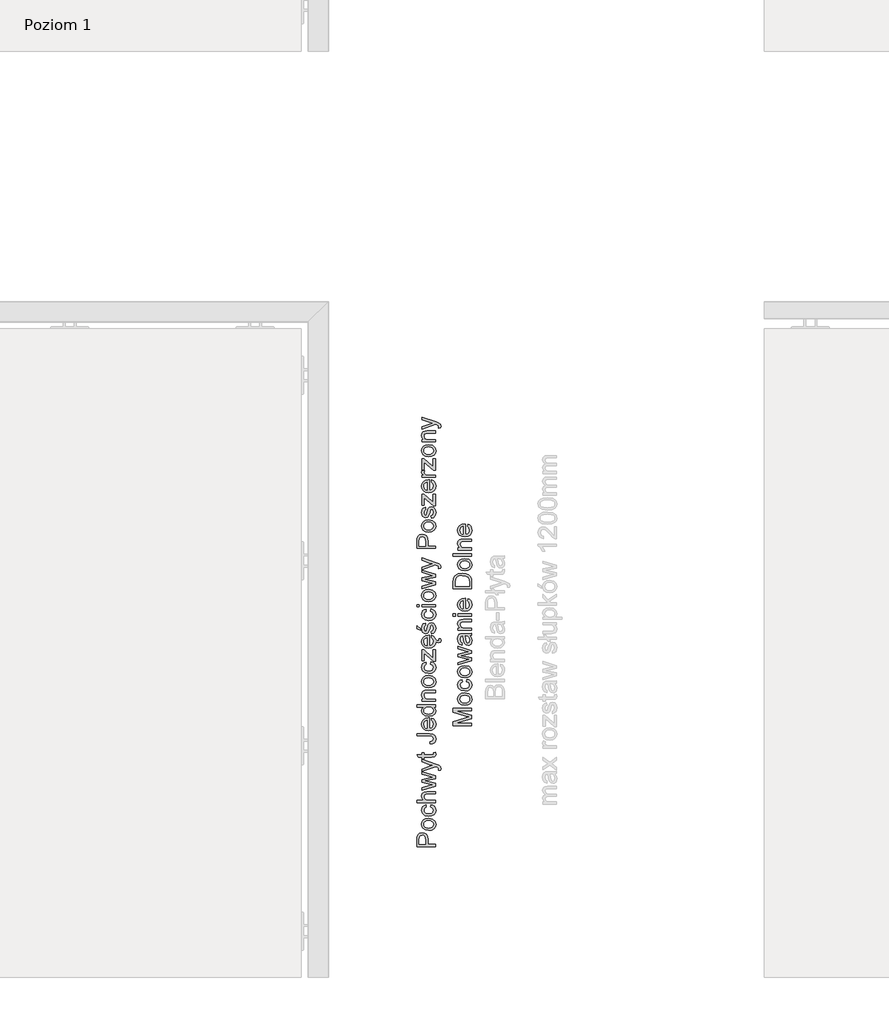
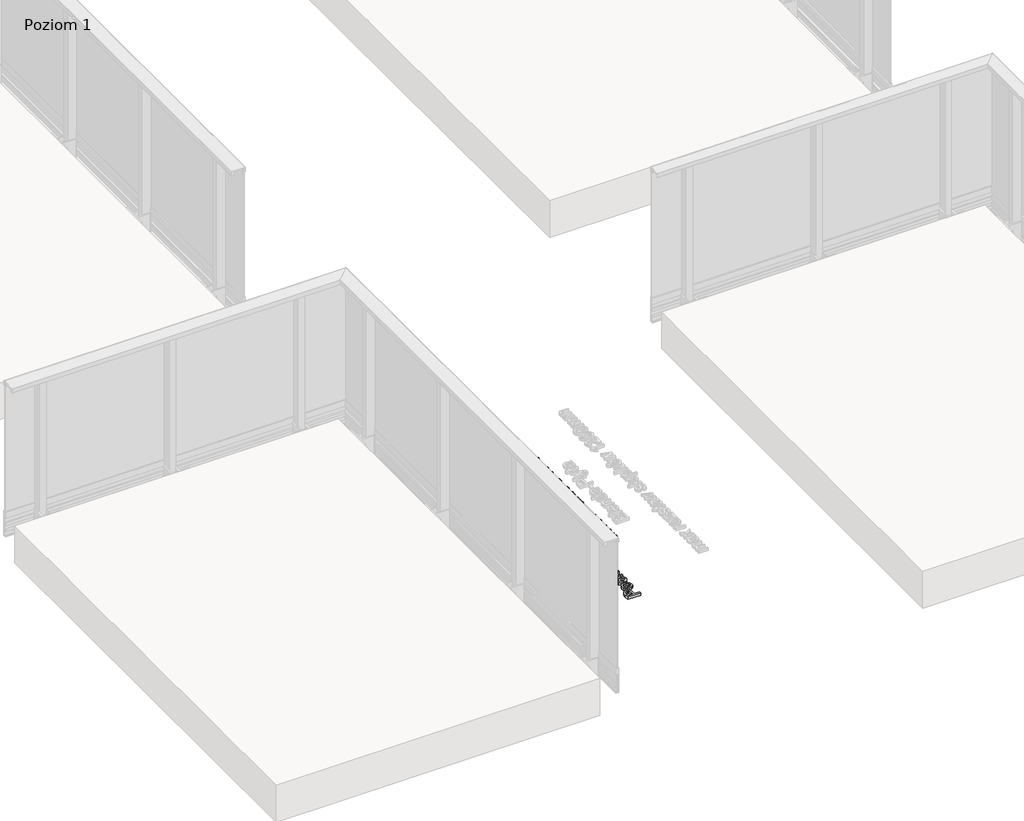
# One storey, part 14 of 35: 2 proxies.
"""IFC4 building model written with IfcOpenShell, lengths in millimetres."""

from ifc_helpers import new_model, si_unit, origin, origin_with_axes, place, context, project, spatial, polyline, outline, extrude, element, save

model = new_model("IFC4")

# Units and contexts
model_context = context("Model", 3, world=origin())
ifc_project = project(units=[si_unit("LENGTHUNIT", "METRE", prefix="MILLI")], contexts=[model_context])

# Site, building, storey
site = spatial("IfcSite", under=ifc_project)
building = spatial("IfcBuilding", under=site)
storey = spatial("IfcBuildingStorey", under=building, Name="Poziom 1", Elevation=0.0)

# Proxies
placement = place(None, origin())
element("IfcBuildingElementProxy", 1, Name="Generic Models", at=placement, inside=storey, context=model_context, shape_type="SweptSolid", body=[
    extrude(outline(polyline([(5115.5993765, -8924.2653868), (5015.1430664, -8924.2653868), (5015.1430664, -8887.0357289), (5016.0995596, -8872.0261435), (5020.7961864, -8859.8247239), (5030.508271, -8851.9152611), (5044.205744, -8848.9231542), (5056.0454129, -8850.9434394), (5065.9107817, -8857.0042953), (5072.5694458, -8868.3381265), (5074.7890005, -8886.1773375), (5074.7890005, -8911.708348), (5115.5993765, -8911.708348), (5115.5993765, -8924.2653868)]), holes=[polyline([(5062.2319618, -8911.708348), (5062.2319618, -8885.4415735), (5057.6211741, -8866.9493719), (5052.0722873, -8862.8474877), (5044.6472024, -8861.4801929), (5034.2484047, -8864.7052918), (5028.5584965, -8873.1788404), (5027.7001052, -8885.7358791), (5027.7001052, -8911.708348), (5062.2319618, -8911.708348)])]), origin_with_axes(), (0.0, 0.0, 1.0), 20.0),
    extrude(outline(polyline([(5078.7130752, -8836.3661154), (5060.9259807, -8833.64992), (5048.4241242, -8825.5013338), (5042.298889, -8815.4336299), (5040.2571439, -8803.3793632), (5042.7434131, -8790.1877279), (5050.2022205, -8779.6509745), (5062.0449551, -8772.74399), (5077.6830056, -8770.4416619), (5100.0257054, -8774.5128893), (5112.6685833, -8786.3709522), (5117.1690064, -8803.3793632), (5114.6919343, -8816.7304139), (5107.260718, -8827.2549046), (5095.1696631, -8834.0883127), (5078.7130752, -8836.3661154)]), holes=[polyline([(5078.6885497, -8823.8090766), (5090.0530377, -8822.3559427), (5098.1495072, -8817.9965411), (5102.9963525, -8811.4359789), (5104.6119676, -8803.3793632), (5102.9871555, -8795.3595357), (5098.112719, -8788.8112361), (5089.9089505, -8784.4518345), (5078.2961422, -8782.9987006), (5067.2627481, -8784.4610316), (5059.2766431, -8788.8480243), (5054.4297978, -8795.4055209), (5052.8141827, -8803.3793632), (5054.4236664, -8811.4359789), (5059.2521176, -8817.9965411), (5067.3301931, -8822.3559427), (5078.6885497, -8823.8090766)])]), origin_with_axes(), (0.0, 0.0, 1.0), 20.0),
    extrude(outline(polyline([(5088.9156692, -8709.2260979), (5090.485299, -8696.6690591), (5101.6535832, -8700.1700694), (5110.0934093, -8706.7490258), (5115.4001071, -8715.7866601), (5117.1690064, -8726.6637044), (5114.7011313, -8740.0208865), (5107.2975062, -8750.4656695), (5095.2830934, -8757.2071071), (5078.9828553, -8759.4542529), (5058.1239462, -8755.6160174), (5044.7207788, -8743.91737), (5040.2571439, -8726.8353827), (5041.7899856, -8716.2250528), (5046.3885105, -8707.7423071), (5053.8074641, -8701.6569258), (5063.8015916, -8698.2386889), (5065.3712215, -8710.7957277), (5055.9657051, -8716.620526), (5052.8141827, -8726.7372808), (5054.3654184, -8734.8521445), (5059.0191257, -8741.2931451), (5067.0266904, -8745.4961969), (5078.6394988, -8746.8972142), (5090.4086569, -8745.5268537), (5098.4438128, -8741.4157724), (5103.0699289, -8735.0912678), (5104.6119676, -8727.0806374), (5100.7614694, -8715.2470998), (5088.9156692, -8709.2260979)])), origin_with_axes(), (0.0, 0.0, 1.0), 20.0),
    extrude(outline(polyline([(5115.5993765, -8685.6816502), (5015.1430664, -8685.6816502), (5015.1430664, -8673.1246114), (5052.0784187, -8673.1246114), (5043.2124626, -8663.332819), (5040.2571439, -8651.2724209), (5043.4822427, -8637.1702777), (5052.3972498, -8628.61089), (5068.9028886, -8626.035716), (5115.5993765, -8626.035716), (5115.5993765, -8638.5927548), (5070.2027383, -8638.5927548), (5056.9589865, -8642.5904058), (5052.8141827, -8653.9211712), (5055.6100859, -8664.2096044), (5063.188455, -8671.076735), (5076.4076813, -8673.1246114), (5115.5993765, -8673.1246114), (5115.5993765, -8685.6816502)])), origin_with_axes(), (0.0, 0.0, 1.0), 20.0),
    extrude(outline(polyline([(5115.5993765, -8596.53158), (5041.8267738, -8618.9723817), (5041.8267738, -8605.9248336), (5084.8689672, -8593.1961166), (5100.2464346, -8589.3946693), (5085.4330529, -8586.2799351), (5041.8267738, -8576.1509175), (5041.8267738, -8561.190383), (5085.3104256, -8551.1104163), (5098.7258557, -8548.3390386), (5084.5746616, -8544.3659131), (5041.8267738, -8531.6126706), (5041.8267738, -8518.5160716), (5115.5993765, -8541.1285515), (5115.5993765, -8556.3098152), (5072.3364539, -8565.9483235), (5058.8474474, -8568.7442266), (5115.5993765, -8581.1786381), (5115.5993765, -8596.53158)])), origin_with_axes(), (0.0, 0.0, 1.0), 20.0),
    extrude(outline(polyline([(5143.8527138, -8509.8831074), (5131.7616589, -8511.4527372), (5132.8653048, -8505.076116), (5131.479616, -8499.1164277), (5127.616855, -8495.4621332), (5118.3707542, -8492.0285679), (5115.3295964, -8491.0475493), (5041.8267738, -8517.7312566), (5041.8267738, -8504.4875048), (5082.7843026, -8490.3363107), (5099.1673141, -8485.406692), (5084.6972889, -8480.4770733), (5041.8267738, -8465.9334717), (5041.8267738, -8452.7878218), (5117.3652101, -8478.465985), (5133.7482216, -8485.1369119), (5142.601915, -8492.4209754), (5145.4223436, -8502.2066364), (5143.8527138, -8509.8831074)])), origin_with_axes(), (0.0, 0.0, 1.0), 20.0),
    extrude(outline(polyline([(5105.1270024, -8415.7053166), (5115.9672585, -8414.1356868), (5117.1690064, -8423.5289404), (5115.0843417, -8434.0503655), (5109.6151627, -8439.2988153), (5095.3658668, -8440.8193942), (5054.3838125, -8440.8193942), (5054.3838125, -8450.2371733), (5041.8267738, -8450.2371733), (5041.8267738, -8440.8193942), (5023.8986579, -8440.8193942), (5016.5164925, -8428.2623554), (5041.8267738, -8428.2623554), (5041.8267738, -8415.7053166), (5054.3838125, -8415.7053166), (5054.3838125, -8428.2623554), (5094.9979848, -8428.2623554), (5101.4727079, -8427.6001678), (5103.765839, -8425.4541895), (5104.6119676, -8421.1744956), (5105.1270024, -8415.7053166)])), origin_with_axes(), (0.0, 0.0, 1.0), 20.0),
    extrude(outline(polyline([(5087.3950902, -8368.6164213), (5085.7764095, -8356.0593825), (5100.6143166, -8351.7674259), (5104.6119676, -8341.1724244), (5102.343362, -8332.5762485), (5096.1629445, -8327.5975788), (5083.7162703, -8326.2364154), (5015.1430664, -8326.2364154), (5015.1430664, -8313.6793766), (5083.4955411, -8313.6793766), (5103.0055496, -8316.7082717), (5113.5392374, -8326.3222545), (5117.1690064, -8341.7610356), (5115.2958739, -8353.3677126), (5109.6764764, -8361.8964435), (5100.3598649, -8367.0713169), (5087.3950902, -8368.6164213)])), origin_with_axes(), (0.0, 0.0, 1.0), 20.0),
    extrude(outline(polyline([(5093.6245587, -8241.6235565), (5095.1941885, -8229.3117724), (5104.4709462, -8233.7478161), (5111.4055218, -8240.8264789), (5115.7281352, -8250.3883451), (5117.1690064, -8262.2739992), (5114.6827372, -8277.0076731), (5107.2239298, -8288.3445699), (5095.276962, -8295.5734511), (5079.3262118, -8297.9830782), (5062.8389671, -8295.5489256), (5050.5087889, -8288.246468), (5042.8200552, -8277.0628554), (5040.2571439, -8262.9852377), (5042.8139238, -8249.3460127), (5050.4842634, -8238.4475086), (5062.7899161, -8231.3014009), (5079.2526354, -8228.919365), (5082.6371498, -8228.9929414), (5082.6371498, -8285.4260394), (5092.0365347, -8283.25247), (5098.9465849, -8278.2032896), (5103.1956219, -8270.9161604), (5104.6119676, -8262.0287445), (5101.9877427, -8249.7169604), (5093.6245587, -8241.6235565)]), holes=[polyline([(5070.080111, -8285.4260394), (5070.080111, -8241.4764037), (5058.7002946, -8246.5041243), (5054.2857107, -8253.824976), (5052.8141827, -8263.0342886), (5057.5108095, -8278.4975952), (5063.0014483, -8283.3628346), (5070.080111, -8285.4260394)])]), origin_with_axes(), (0.0, 0.0, 1.0), 20.0),
    extrude(outline(polyline([(5115.5993765, -8170.8430606), (5103.7535763, -8170.8430606), (5113.8151489, -8179.1510624), (5117.1690064, -8190.635112), (5112.312964, -8206.1842577), (5098.7626439, -8217.1716666), (5078.7866516, -8221.0712157), (5058.7983965, -8217.4782349), (5045.0396099, -8206.7115552), (5040.2571439, -8190.6841629), (5043.6784465, -8179.1081428), (5052.568928, -8170.8430606), (5015.1430664, -8170.8430606), (5015.1430664, -8158.2860219), (5115.5993765, -8158.2860219), (5115.5993765, -8170.8430606)]), holes=[polyline([(5078.7376006, -8208.514177), (5090.0959572, -8207.0978313), (5098.1740327, -8202.8487942), (5103.0024839, -8196.6745081), (5104.6119676, -8189.4824151), (5103.0760603, -8182.2933877), (5098.4683383, -8176.2754514), (5090.7029625, -8172.2011583), (5079.6940938, -8170.8430606), (5067.6582212, -8172.2256838), (5059.3134313, -8176.3735533), (5054.4389948, -8182.5447738), (5052.8141827, -8189.9974499), (5054.3746155, -8197.2631193), (5059.0559139, -8203.2166762), (5067.0972012, -8207.1898018), (5078.7376006, -8208.514177)])]), origin_with_axes(), (0.0, 0.0, 1.0), 20.0),
    extrude(outline(polyline([(5115.5993765, -8139.4504637), (5041.8267738, -8139.4504637), (5041.8267738, -8126.893425), (5052.1274696, -8126.893425), (5043.2247253, -8117.2917049), (5040.2571439, -8104.1828431), (5042.6483769, -8092.3247801), (5048.9268963, -8084.2313763), (5058.1607344, -8080.4667172), (5070.3008402, -8079.8045296), (5115.5993765, -8079.8045296), (5115.5993765, -8092.3615683), (5071.9930974, -8092.3615683), (5060.8830611, -8093.8085709), (5055.0092119, -8098.9221306), (5052.8141827, -8107.542832), (5057.7438014, -8121.1667286), (5064.8868435, -8125.4617509), (5076.4567322, -8126.893425), (5115.5993765, -8126.893425), (5115.5993765, -8139.4504637)])), origin_with_axes(), (0.0, 0.0, 1.0), 20.0),
    extrude(outline(polyline([(5078.7130752, -8065.677861), (5060.9259807, -8062.9616656), (5048.4241242, -8054.8130794), (5042.298889, -8044.7453754), (5040.2571439, -8032.6911087), (5042.7434131, -8019.4994735), (5050.2022205, -8008.96272), (5062.0449551, -8002.0557356), (5077.6830056, -7999.7534074), (5100.0257054, -8003.8246348), (5112.6685833, -8015.6826978), (5117.1690064, -8032.6911087), (5114.6919343, -8046.0421595), (5107.260718, -8056.5666502), (5095.1696631, -8063.4000583), (5078.7130752, -8065.677861)]), holes=[polyline([(5078.6885497, -8053.1208222), (5090.0530377, -8051.6676883), (5098.1495072, -8047.3082867), (5102.9963525, -8040.7477244), (5104.6119676, -8032.6911087), (5102.9871555, -8024.6712812), (5098.112719, -8018.1229817), (5089.9089505, -8013.7635801), (5078.2961422, -8012.3104462), (5067.2627481, -8013.7727771), (5059.2766431, -8018.1597699), (5054.4297978, -8024.7172665), (5052.8141827, -8032.6911087), (5054.4236664, -8040.7477244), (5059.2521176, -8047.3082867), (5067.3301931, -8051.6676883), (5078.6885497, -8053.1208222)])]), origin_with_axes(), (0.0, 0.0, 1.0), 20.0),
    extrude(outline(polyline([(5088.9156692, -7938.5378434), (5090.485299, -7925.9808047), (5101.6535832, -7929.481815), (5110.0934093, -7936.0607713), (5115.4001071, -7945.0984057), (5117.1690064, -7955.97545), (5114.7011313, -7969.3326321), (5107.2975062, -7979.7774151), (5095.2830934, -7986.5188526), (5078.9828553, -7988.7659985), (5058.1239462, -7984.927763), (5044.7207788, -7973.2291156), (5040.2571439, -7956.1471283), (5041.7899856, -7945.5367984), (5046.3885105, -7937.0540527), (5053.8074641, -7930.9686714), (5063.8015916, -7927.5504345), (5065.3712215, -7940.1074733), (5055.9657051, -7945.9322715), (5052.8141827, -7956.0490264), (5054.3654184, -7964.1638901), (5059.0191257, -7970.6048907), (5067.0266904, -7974.8079425), (5078.6394988, -7976.2089597), (5090.4086569, -7974.8385993), (5098.4438128, -7970.727518), (5103.0699289, -7964.4030134), (5104.6119676, -7956.3923829), (5100.7614694, -7944.5588454), (5088.9156692, -7938.5378434)])), origin_with_axes(), (0.0, 0.0, 1.0), 20.0),
    extrude(outline(polyline([(5115.5993765, -7922.841545), (5103.7781018, -7922.841545), (5054.3838125, -7879.5050459), (5054.3838125, -7892.3318648), (5054.3838125, -7919.7022853), (5041.8267738, -7919.7022853), (5041.8267738, -7861.625981), (5052.4953516, -7861.625981), (5096.32236, -7900.0573867), (5103.0423378, -7905.9434987), (5103.0423378, -7891.4244226), (5103.0423378, -7860.0563511), (5115.5993765, -7860.0563511), (5115.5993765, -7922.841545)])), origin_with_axes(), (0.0, 0.0, 1.0), 20.0),
    extrude(outline(polyline([(5093.6245587, -7795.8486802), (5095.1941885, -7783.5368961), (5104.4709462, -7787.9729399), (5111.4055218, -7795.0516026), (5115.768218, -7804.9441093), (5121.6694295, -7810.8214774), (5128.9902812, -7812.9674557), (5133.9689508, -7811.4346141), (5136.0045645, -7806.4682072), (5135.5631061, -7803.3289475), (5134.3858838, -7800.410417), (5143.0433734, -7800.410417), (5145.4223436, -7809.2150594), (5144.4167995, -7814.9908067), (5141.6454218, -7819.1110851), (5137.5864571, -7821.5758944), (5132.6691011, -7822.3852348), (5123.7540941, -7819.9326882), (5116.8755159, -7814.078139), (5117.1690064, -7816.4991229), (5114.6827372, -7831.2327968), (5107.2239298, -7842.5696936), (5095.276962, -7849.7985748), (5079.3262118, -7852.2082019), (5062.8389671, -7849.7740494), (5050.5087889, -7842.4715918), (5042.8200552, -7831.2879791), (5040.2571439, -7817.2103614), (5042.8139238, -7803.5711364), (5050.4842634, -7792.6726323), (5062.7899161, -7785.5265246), (5079.2526354, -7783.1444887), (5082.6371498, -7783.2180651), (5082.6371498, -7839.6511631), (5092.0365347, -7837.4775937), (5098.9465849, -7832.4284133), (5103.1956219, -7825.1412841), (5104.6119676, -7816.2538682), (5101.9877427, -7803.9420841), (5093.6245587, -7795.8486802)]), holes=[polyline([(5070.080111, -7839.6511631), (5070.080111, -7795.7015274), (5058.7002946, -7800.729248), (5054.2857107, -7808.0500997), (5052.8141827, -7817.2594124), (5057.5108095, -7832.7227189), (5063.0014483, -7837.5879583), (5070.080111, -7839.6511631)])]), origin_with_axes(), (0.0, 0.0, 1.0), 20.0),
    extrude(outline(polyline([(5093.6245587, -7775.2963394), (5092.0549288, -7762.7393007), (5101.3746061, -7756.9267651), (5104.6119676, -7743.6094369), (5101.6443862, -7730.8071435), (5094.6791537, -7726.6378142), (5089.0382965, -7730.831669), (5085.4575784, -7743.7565897), (5079.3139491, -7762.6657243), (5072.1402502, -7770.9185437), (5062.0112326, -7773.7267096), (5052.6547672, -7771.4703667), (5045.5055937, -7765.3144746), (5041.7899856, -7757.3314353), (5040.2571439, -7746.5279674), (5042.7219533, -7731.2486019), (5049.3928801, -7721.5365172), (5060.6623319, -7717.2200351), (5062.2319618, -7729.7770739), (5055.3035175, -7734.4982262), (5052.8141827, -7745.5469488), (5055.1931529, -7757.5644273), (5060.7359083, -7761.1696708), (5064.3902028, -7759.6736174), (5067.1615805, -7754.9892533), (5069.8348563, -7744.1735226), (5075.7454937, -7725.7426347), (5082.440946, -7717.1832469), (5093.3547786, -7714.0807754), (5105.3722571, -7717.7228072), (5114.0910604, -7728.2319695), (5117.1690064, -7743.7811152), (5115.6852157, -7756.4423872), (5111.2338435, -7765.6823566), (5103.8639409, -7771.8505114), (5093.6245587, -7775.2963394)])), origin_with_axes(), (0.0, 0.0, 1.0), 20.0),
    extrude(outline(polyline([(5033.9786245, -7756.4607813), (5015.1430664, -7747.0430022), (5015.1430664, -7731.3467037), (5033.9786245, -7747.0430022), (5033.9786245, -7756.4607813)])), origin_with_axes(), (0.0, 0.0, 1.0), 20.0),
    extrude(outline(polyline([(5088.9156692, -7652.8652114), (5090.485299, -7640.3081727), (5101.6535832, -7643.809183), (5110.0934093, -7650.3881393), (5115.4001071, -7659.4257737), (5117.1690064, -7670.302818), (5114.7011313, -7683.6600001), (5107.2975062, -7694.1047831), (5095.2830934, -7700.8462207), (5078.9828553, -7703.0933665), (5058.1239462, -7699.255131), (5044.7207788, -7687.5564836), (5040.2571439, -7670.4744963), (5041.7899856, -7659.8641664), (5046.3885105, -7651.3814207), (5053.8074641, -7645.2960394), (5063.8015916, -7641.8778025), (5065.3712215, -7654.4348413), (5055.9657051, -7660.2596395), (5052.8141827, -7670.3763944), (5054.3654184, -7678.4912581), (5059.0191257, -7684.9322587), (5067.0266904, -7689.1353105), (5078.6394988, -7690.5363277), (5090.4086569, -7689.1659673), (5098.4438128, -7685.054886), (5103.0699289, -7678.7303814), (5104.6119676, -7670.7197509), (5100.7614694, -7658.8862134), (5088.9156692, -7652.8652114)])), origin_with_axes(), (0.0, 0.0, 1.0), 20.0),
    extrude(outline(polyline([(5027.7001052, -7629.3207637), (5015.1430664, -7629.3207637), (5015.1430664, -7616.763725), (5027.7001052, -7616.763725), (5027.7001052, -7629.3207637)])), origin_with_axes(), (0.0, 0.0, 1.0), 20.0),
    extrude(outline(polyline([(5115.5993765, -7629.3207637), (5041.8267738, -7629.3207637), (5041.8267738, -7616.763725), (5115.5993765, -7616.763725), (5115.5993765, -7629.3207637)])), origin_with_axes(), (0.0, 0.0, 1.0), 20.0),
    extrude(outline(polyline([(5078.7130752, -7601.0674265), (5060.9259807, -7598.3512311), (5048.4241242, -7590.2026449), (5042.298889, -7580.134941), (5040.2571439, -7568.0806743), (5042.7434131, -7554.8890391), (5050.2022205, -7544.3522856), (5062.0449551, -7537.4453011), (5077.6830056, -7535.142973), (5100.0257054, -7539.2142004), (5112.6685833, -7551.0722634), (5117.1690064, -7568.0806743), (5114.6919343, -7581.431725), (5107.260718, -7591.9562158), (5095.1696631, -7598.7896238), (5078.7130752, -7601.0674265)]), holes=[polyline([(5078.6885497, -7588.5103878), (5090.0530377, -7587.0572539), (5098.1495072, -7582.6978522), (5102.9963525, -7576.13729), (5104.6119676, -7568.0806743), (5102.9871555, -7560.0608468), (5098.112719, -7553.5125473), (5089.9089505, -7549.1531456), (5078.2961422, -7547.7000118), (5067.2627481, -7549.1623427), (5059.2766431, -7553.5493355), (5054.4297978, -7560.106832), (5052.8141827, -7568.0806743), (5054.4236664, -7576.13729), (5059.2521176, -7582.6978522), (5067.3301931, -7587.0572539), (5078.6885497, -7588.5103878)])]), origin_with_axes(), (0.0, 0.0, 1.0), 20.0),
    extrude(outline(polyline([(5115.5993765, -7508.7780967), (5041.8267738, -7531.2188984), (5041.8267738, -7518.1713503), (5084.8689672, -7505.4426332), (5100.2464346, -7501.641186), (5085.4330529, -7498.5264517), (5041.8267738, -7488.3974341), (5041.8267738, -7473.4368997), (5085.3104256, -7463.356933), (5098.7258557, -7460.5855553), (5084.5746616, -7456.6124297), (5041.8267738, -7443.8591872), (5041.8267738, -7430.7625882), (5115.5993765, -7453.3750682), (5115.5993765, -7468.5563319), (5072.3364539, -7478.1948401), (5058.8474474, -7480.9907433), (5115.5993765, -7493.4251547), (5115.5993765, -7508.7780967)])), origin_with_axes(), (0.0, 0.0, 1.0), 20.0),
    extrude(outline(polyline([(5143.8527138, -7422.1296241), (5131.7616589, -7423.6992539), (5132.8653048, -7417.3226327), (5131.479616, -7411.3629443), (5127.616855, -7407.7086499), (5118.3707542, -7404.2750846), (5115.3295964, -7403.2940659), (5041.8267738, -7429.9777733), (5041.8267738, -7416.7340215), (5082.7843026, -7402.5828274), (5099.1673141, -7397.6532087), (5084.6972889, -7392.7235899), (5041.8267738, -7378.1799884), (5041.8267738, -7365.0343384), (5117.3652101, -7390.7125017), (5133.7482216, -7397.3834285), (5142.601915, -7404.667492), (5145.4223436, -7414.4531531), (5143.8527138, -7422.1296241)])), origin_with_axes(), (0.0, 0.0, 1.0), 20.0),
    extrude(outline(polyline([(5115.5993765, -7313.8251647), (5015.1430664, -7313.8251647), (5015.1430664, -7276.5955068), (5016.0995596, -7261.5859214), (5020.7961864, -7249.3845019), (5030.508271, -7241.475039), (5044.205744, -7238.4829321), (5056.0454129, -7240.5032174), (5065.9107817, -7246.5640732), (5072.5694458, -7257.8979044), (5074.7890005, -7275.7371155), (5074.7890005, -7301.2681259), (5115.5993765, -7301.2681259), (5115.5993765, -7313.8251647)]), holes=[polyline([(5062.2319618, -7301.2681259), (5062.2319618, -7275.0013515), (5057.6211741, -7256.5091498), (5052.0722873, -7252.4072656), (5044.6472024, -7251.0399708), (5034.2484047, -7254.2650697), (5028.5584965, -7262.7386183), (5027.7001052, -7275.2956571), (5027.7001052, -7301.2681259), (5062.2319618, -7301.2681259)])]), origin_with_axes(), (0.0, 0.0, 1.0), 20.0),
    extrude(outline(polyline([(5078.7130752, -7225.9258933), (5060.9259807, -7223.2096979), (5048.4241242, -7215.0611117), (5042.298889, -7204.9934078), (5040.2571439, -7192.9391411), (5042.7434131, -7179.7475059), (5050.2022205, -7169.2107524), (5062.0449551, -7162.3037679), (5077.6830056, -7160.0014398), (5100.0257054, -7164.0726672), (5112.6685833, -7175.9307302), (5117.1690064, -7192.9391411), (5114.6919343, -7206.2901918), (5107.260718, -7216.8146826), (5095.1696631, -7223.6480906), (5078.7130752, -7225.9258933)]), holes=[polyline([(5078.6885497, -7213.3688545), (5090.0530377, -7211.9157207), (5098.1495072, -7207.556319), (5102.9963525, -7200.9957568), (5104.6119676, -7192.9391411), (5102.9871555, -7184.9193136), (5098.112719, -7178.3710141), (5089.9089505, -7174.0116124), (5078.2961422, -7172.5584785), (5067.2627481, -7174.0208095), (5059.2766431, -7178.4078023), (5054.4297978, -7184.9652988), (5052.8141827, -7192.9391411), (5054.4236664, -7200.9957568), (5059.2521176, -7207.556319), (5067.3301931, -7211.9157207), (5078.6885497, -7213.3688545)])]), origin_with_axes(), (0.0, 0.0, 1.0), 20.0),
    extrude(outline(polyline([(5093.6245587, -7150.5836607), (5092.0549288, -7138.0266219), (5101.3746061, -7132.2140864), (5104.6119676, -7118.8967582), (5101.6443862, -7106.0944647), (5094.6791537, -7101.9251355), (5089.0382965, -7106.1189902), (5085.4575784, -7119.043911), (5079.3139491, -7137.9530455), (5072.1402502, -7146.2058649), (5062.0112326, -7149.0140308), (5052.6547672, -7146.7576879), (5045.5055937, -7140.6017959), (5041.7899856, -7132.6187566), (5040.2571439, -7121.8152887), (5042.7219533, -7106.5359231), (5049.3928801, -7096.8238385), (5060.6623319, -7092.5073564), (5062.2319618, -7105.0643952), (5055.3035175, -7109.7855474), (5052.8141827, -7120.83427), (5055.1931529, -7132.8517485), (5060.7359083, -7136.4569921), (5064.3902028, -7134.9609386), (5067.1615805, -7130.2765746), (5069.8348563, -7119.4608439), (5075.7454937, -7101.0299559), (5082.440946, -7092.4705682), (5093.3547786, -7089.3680967), (5105.3722571, -7093.0101284), (5114.0910604, -7103.5192908), (5117.1690064, -7119.0684364), (5115.6852157, -7131.7297084), (5111.2338435, -7140.9696779), (5103.8639409, -7147.1378327), (5093.6245587, -7150.5836607)])), origin_with_axes(), (0.0, 0.0, 1.0), 20.0),
    extrude(outline(polyline([(5115.5993765, -7083.0895773), (5103.7781018, -7083.0895773), (5054.3838125, -7039.7530783), (5054.3838125, -7052.5798972), (5054.3838125, -7079.9503176), (5041.8267738, -7079.9503176), (5041.8267738, -7021.8740133), (5052.4953516, -7021.8740133), (5096.32236, -7060.3054191), (5103.0423378, -7066.191531), (5103.0423378, -7051.6724549), (5103.0423378, -7020.3043835), (5115.5993765, -7020.3043835), (5115.5993765, -7083.0895773)])), origin_with_axes(), (0.0, 0.0, 1.0), 20.0),
    extrude(outline(polyline([(5093.6245587, -6956.0967126), (5095.1941885, -6943.7849285), (5104.4709462, -6948.2209722), (5111.4055218, -6955.2996349), (5115.7281352, -6964.8615011), (5117.1690064, -6976.7471552), (5114.6827372, -6991.4808291), (5107.2239298, -7002.817726), (5095.276962, -7010.0466072), (5079.3262118, -7012.4562342), (5062.8389671, -7010.0220817), (5050.5087889, -7002.7196241), (5042.8200552, -6991.5360114), (5040.2571439, -6977.4583938), (5042.8139238, -6963.8191688), (5050.4842634, -6952.9206647), (5062.7899161, -6945.7745569), (5079.2526354, -6943.392521), (5082.6371498, -6943.4660974), (5082.6371498, -6999.8991955), (5092.0365347, -6997.725626), (5098.9465849, -6992.6764456), (5103.1956219, -6985.3893164), (5104.6119676, -6976.5019006), (5101.9877427, -6964.1901165), (5093.6245587, -6956.0967126)]), holes=[polyline([(5070.080111, -6999.8991955), (5070.080111, -6955.9495598), (5058.7002946, -6960.9772804), (5054.2857107, -6968.2981321), (5052.8141827, -6977.5074447), (5057.5108095, -6992.9707512), (5063.0014483, -6997.8359906), (5070.080111, -6999.8991955)])]), origin_with_axes(), (0.0, 0.0, 1.0), 20.0),
    extrude(outline(polyline([(5115.5993765, -6891.5947361), (5103.7781018, -6891.5947361), (5054.3838125, -6848.2582371), (5054.3838125, -6861.085056), (5054.3838125, -6888.4554764), (5041.8267738, -6888.4554764), (5041.8267738, -6830.3791721), (5052.4953516, -6830.3791721), (5096.32236, -6868.8105779), (5103.0423378, -6874.6966898), (5103.0423378, -6860.1776137), (5103.0423378, -6828.8095422), (5115.5993765, -6828.8095422), (5115.5993765, -6891.5947361)])), origin_with_axes(), (0.0, 0.0, 1.0), 20.0),
    extrude(outline(polyline([(5115.5993765, -6930.8354822), (5041.8267738, -6930.8354822), (5041.8267738, -6919.8480733), (5052.7406063, -6919.8480733), (5042.6851651, -6912.048975), (5040.2571439, -6904.2008258), (5044.1321676, -6891.5947361), (5055.3893567, -6895.7885908), (5052.8141827, -6904.6177587), (5055.2912548, -6911.7178812), (5062.1583854, -6916.2428298), (5076.8246142, -6918.2784435), (5115.5993765, -6918.2784435), (5115.5993765, -6930.8354822)])), origin_with_axes(), (0.0, 0.0, 1.0), 20.0),
    extrude(outline(polyline([(5078.7130752, -6819.3917632), (5060.9259807, -6816.6755678), (5048.4241242, -6808.5269816), (5042.298889, -6798.4592776), (5040.2571439, -6786.4050109), (5042.7434131, -6773.2133757), (5050.2022205, -6762.6766222), (5062.0449551, -6755.7696378), (5077.6830056, -6753.4673096), (5100.0257054, -6757.538537), (5112.6685833, -6769.3966), (5117.1690064, -6786.4050109), (5114.6919343, -6799.7560617), (5107.260718, -6810.2805524), (5095.1696631, -6817.1139605), (5078.7130752, -6819.3917632)]), holes=[polyline([(5078.6885497, -6806.8347244), (5090.0530377, -6805.3815905), (5098.1495072, -6801.0221889), (5102.9963525, -6794.4616266), (5104.6119676, -6786.4050109), (5102.9871555, -6778.3851834), (5098.112719, -6771.8368839), (5089.9089505, -6767.4774823), (5078.2961422, -6766.0243484), (5067.2627481, -6767.4866793), (5059.2766431, -6771.8736721), (5054.4297978, -6778.4311687), (5052.8141827, -6786.4050109), (5054.4236664, -6794.4616266), (5059.2521176, -6801.0221889), (5067.3301931, -6805.3815905), (5078.6885497, -6806.8347244)])]), origin_with_axes(), (0.0, 0.0, 1.0), 20.0),
    extrude(outline(polyline([(5115.5993765, -6739.340641), (5041.8267738, -6739.340641), (5041.8267738, -6726.7836022), (5052.1274696, -6726.7836022), (5043.2247253, -6717.1818822), (5040.2571439, -6704.0730204), (5042.6483769, -6692.2149574), (5048.9268963, -6684.1215535), (5058.1607344, -6680.3568945), (5070.3008402, -6679.6947069), (5115.5993765, -6679.6947069), (5115.5993765, -6692.2517456), (5071.9930974, -6692.2517456), (5060.8830611, -6693.6987481), (5055.0092119, -6698.8123079), (5052.8141827, -6707.4330093), (5057.7438014, -6721.0569059), (5064.8868435, -6725.3519282), (5076.4567322, -6726.7836022), (5115.5993765, -6726.7836022), (5115.5993765, -6739.340641)])), origin_with_axes(), (0.0, 0.0, 1.0), 20.0),
    extrude(outline(polyline([(5143.8527138, -6662.4287786), (5131.7616589, -6663.9984084), (5132.8653048, -6657.6217872), (5131.479616, -6651.6620988), (5127.616855, -6648.0078043), (5118.3707542, -6644.5742391), (5115.3295964, -6643.5932204), (5041.8267738, -6670.2769278), (5041.8267738, -6657.033176), (5082.7843026, -6642.8819819), (5099.1673141, -6637.9523631), (5084.6972889, -6633.0227444), (5041.8267738, -6618.4791429), (5041.8267738, -6605.3334929), (5117.3652101, -6631.0116562), (5133.7482216, -6637.682583), (5142.601915, -6644.9666465), (5145.4223436, -6654.7523076), (5143.8527138, -6662.4287786)])), origin_with_axes(), (0.0, 0.0, 1.0), 20.0),
])
element("IfcBuildingElementProxy", 2, Name="Generic Models", at=placement, inside=storey, context=model_context, shape_type="SweptSolid", body=[
    extrude(outline(polyline([(5311.0111089, -8270.0219111), (5210.5547987, -8270.0219111), (5210.5547987, -8248.4149753), (5281.3598201, -8227.8626345), (5296.1486763, -8223.7178306), (5280.1335468, -8219.2296703), (5210.5547987, -8199.020686), (5210.5547987, -8177.4137502), (5311.0111089, -8177.4137502), (5311.0111089, -8189.970789), (5223.1118375, -8189.970789), (5311.0111089, -8215.2074938), (5311.0111089, -8232.2281675), (5223.1118375, -8257.4648723), (5311.0111089, -8257.4648723), (5311.0111089, -8270.0219111)])), origin_with_axes(), (0.0, 0.0, 1.0), 20.0),
    extrude(outline(polyline([(5274.1248075, -8160.1478219), (5256.337713, -8157.4316265), (5243.8358566, -8149.2830403), (5237.7106214, -8139.2153364), (5235.6688763, -8127.1610696), (5238.1551454, -8113.9694344), (5245.6139529, -8103.432681), (5257.4566874, -8096.5256965), (5273.0947379, -8094.2233683), (5295.4374378, -8098.2945958), (5308.0803157, -8110.1526587), (5312.5807387, -8127.1610696), (5310.1036666, -8140.5121204), (5302.6724503, -8151.0366111), (5290.5813954, -8157.8700192), (5274.1248075, -8160.1478219)]), holes=[polyline([(5274.100282, -8147.5907831), (5285.46477, -8146.1376492), (5293.5612396, -8141.7782476), (5298.4080849, -8135.2176853), (5300.0237, -8127.1610696), (5298.3988878, -8119.1412421), (5293.5244514, -8112.5929426), (5285.3206829, -8108.233541), (5273.7078746, -8106.7804071), (5262.6744804, -8108.242738), (5254.6883754, -8112.6297308), (5249.8415301, -8119.1872274), (5248.225915, -8127.1610696), (5249.8353988, -8135.2176853), (5254.66385, -8141.7782476), (5262.7419254, -8146.1376492), (5274.100282, -8147.5907831)])]), origin_with_axes(), (0.0, 0.0, 1.0), 20.0),
    extrude(outline(polyline([(5284.3274015, -8033.0078043), (5285.8970314, -8020.4507656), (5297.0653156, -8023.9517759), (5305.5051417, -8030.5307322), (5310.8118395, -8039.5683666), (5312.5807387, -8050.4454109), (5310.1128637, -8063.802593), (5302.7092385, -8074.247376), (5290.6948257, -8080.9888136), (5274.3945876, -8083.2359594), (5253.5356785, -8079.3977239), (5240.1325112, -8067.6990765), (5235.6688763, -8050.6170892), (5237.2017179, -8040.0067593), (5241.8002429, -8031.5240136), (5249.2191964, -8025.4386323), (5259.213324, -8022.0203954), (5260.7829538, -8034.5774342), (5251.3774375, -8040.4022324), (5248.225915, -8050.5189873), (5249.7771508, -8058.633851), (5254.430858, -8065.0748516), (5262.4384228, -8069.2779034), (5274.0512311, -8070.6789207), (5285.8203893, -8069.3085602), (5293.8555452, -8065.1974789), (5298.4816613, -8058.8729743), (5300.0237, -8050.8623438), (5296.1732018, -8039.0288063), (5284.3274015, -8033.0078043)])), origin_with_axes(), (0.0, 0.0, 1.0), 20.0),
    extrude(outline(polyline([(5274.1248075, -8012.6026163), (5256.337713, -8009.8864209), (5243.8358566, -8001.7378348), (5237.7106214, -7991.6701308), (5235.6688763, -7979.6158641), (5238.1551454, -7966.4242289), (5245.6139529, -7955.8874754), (5257.4566874, -7948.980491), (5273.0947379, -7946.6781628), (5295.4374378, -7950.7493902), (5308.0803157, -7962.6074532), (5312.5807387, -7979.6158641), (5310.1036666, -7992.9669149), (5302.6724503, -8003.4914056), (5290.5813954, -8010.3248137), (5274.1248075, -8012.6026163)]), holes=[polyline([(5274.100282, -8000.0455776), (5285.46477, -7998.5924437), (5293.5612396, -7994.2330421), (5298.4080849, -7987.6724798), (5300.0237, -7979.6158641), (5298.3988878, -7971.5960366), (5293.5244514, -7965.0477371), (5285.3206829, -7960.6883355), (5273.7078746, -7959.2352016), (5262.6744804, -7960.6975325), (5254.6883754, -7965.0845253), (5249.8415301, -7971.6420219), (5248.225915, -7979.6158641), (5249.8353988, -7987.6724798), (5254.66385, -7994.2330421), (5262.7419254, -7998.5924437), (5274.100282, -8000.0455776)])]), origin_with_axes(), (0.0, 0.0, 1.0), 20.0),
    extrude(outline(polyline([(5311.0111089, -7920.3132865), (5237.2385061, -7942.7540882), (5237.2385061, -7929.7065401), (5280.2806996, -7916.9778231), (5295.658167, -7913.1763758), (5280.8447853, -7910.0616416), (5237.2385061, -7899.932624), (5237.2385061, -7884.9720895), (5280.722158, -7874.8921228), (5294.137588, -7872.1207451), (5279.986394, -7868.1476196), (5237.2385061, -7855.3943771), (5237.2385061, -7842.297778), (5311.0111089, -7864.910258), (5311.0111089, -7880.0915217), (5267.7481863, -7889.73003), (5254.2591798, -7892.5259331), (5311.0111089, -7904.9603446), (5311.0111089, -7920.3132865)])), origin_with_axes(), (0.0, 0.0, 1.0), 20.0),
    extrude(outline(polyline([(5301.5933298, -7786.5759185), (5310.1036666, -7798.7528126), (5312.5807387, -7812.2050308), (5311.0908167, -7822.6988648), (5306.6210504, -7830.4397151), (5299.8336276, -7835.212984), (5291.3907358, -7836.8040736), (5281.4579219, -7834.4005779), (5274.2474348, -7828.0852703), (5270.1271565, -7819.2928906), (5268.2386956, -7808.428109), (5263.9222135, -7786.6494949), (5261.1263103, -7786.5759185), (5251.8556841, -7790.0340093), (5248.225915, -7803.9154232), (5250.6416735, -7816.6196148), (5259.213324, -7822.677405), (5257.6436941, -7835.2344437), (5245.380961, -7829.8020529), (5238.1949993, -7818.863695), (5235.6688763, -7802.2967424), (5237.9006937, -7787.0786906), (5243.5047628, -7778.4825146), (5252.0273623, -7774.6320164), (5263.0147713, -7774.0188797), (5278.6374933, -7774.0188797), (5300.4528956, -7773.3812176), (5311.0111089, -7770.87962), (5311.0111089, -7783.4366588), (5301.5933298, -7786.5759185)]), holes=[polyline([(5276.4792523, -7786.5759185), (5280.3297505, -7806.8339537), (5282.3653642, -7817.6374216), (5285.6763022, -7822.5302522), (5290.507819, -7824.2470348), (5297.3013732, -7820.5069012), (5300.0237, -7809.531755), (5297.0193303, -7796.8275634), (5289.7475296, -7788.6360577), (5280.0354449, -7786.6494949), (5276.4792523, -7786.5759185)])]), origin_with_axes(), (0.0, 0.0, 1.0), 20.0),
    extrude(outline(polyline([(5311.0111089, -7756.7529514), (5237.2385061, -7756.7529514), (5237.2385061, -7744.1959127), (5247.539202, -7744.1959127), (5238.6364577, -7734.5941926), (5235.6688763, -7721.4853308), (5238.0601092, -7709.6272679), (5244.3386286, -7701.533864), (5253.5724667, -7697.7692049), (5265.7125726, -7697.1070173), (5311.0111089, -7697.1070173), (5311.0111089, -7709.6640561), (5267.4048297, -7709.6640561), (5256.2947935, -7711.1110586), (5250.4209443, -7716.2246183), (5248.225915, -7724.8453197), (5253.1555338, -7738.4692163), (5260.2985759, -7742.7642386), (5271.8684646, -7744.1959127), (5311.0111089, -7744.1959127), (5311.0111089, -7756.7529514)])), origin_with_axes(), (0.0, 0.0, 1.0), 20.0),
    extrude(outline(polyline([(5223.1118375, -7679.841089), (5210.5547987, -7679.841089), (5210.5547987, -7667.2840502), (5223.1118375, -7667.2840502), (5223.1118375, -7679.841089)])), origin_with_axes(), (0.0, 0.0, 1.0), 20.0),
    extrude(outline(polyline([(5311.0111089, -7679.841089), (5237.2385061, -7679.841089), (5237.2385061, -7667.2840502), (5311.0111089, -7667.2840502), (5311.0111089, -7679.841089)])), origin_with_axes(), (0.0, 0.0, 1.0), 20.0),
    extrude(outline(polyline([(5289.036291, -7596.7978599), (5290.6059209, -7584.4860758), (5299.8826785, -7588.9221196), (5306.8172541, -7596.0007823), (5311.1398676, -7605.5626485), (5312.5807387, -7617.4483026), (5310.0944696, -7632.1819765), (5302.6356621, -7643.5188733), (5290.6886943, -7650.7477545), (5274.7379442, -7653.1573816), (5258.2506994, -7650.7232291), (5245.9205212, -7643.4207715), (5238.2317875, -7632.2371588), (5235.6688763, -7618.1595411), (5238.2256561, -7604.5203161), (5245.8959957, -7593.621812), (5258.2016485, -7586.4757043), (5274.6643678, -7584.0936684), (5278.0488821, -7584.1672448), (5278.0488821, -7640.6003428), (5287.4482671, -7638.4267734), (5294.3583172, -7633.377593), (5298.6073543, -7626.0904638), (5300.0237, -7617.2030479), (5297.3994751, -7604.8912638), (5289.036291, -7596.7978599)]), holes=[polyline([(5265.4918434, -7640.6003428), (5265.4918434, -7596.6507071), (5254.112027, -7601.6784277), (5249.697443, -7608.9992794), (5248.225915, -7618.2085921), (5252.9225419, -7633.6718986), (5258.4131806, -7638.537138), (5265.4918434, -7640.6003428)])]), origin_with_axes(), (0.0, 0.0, 1.0), 20.0),
    extrude(outline(polyline([(5311.0111089, -7530.7262536), (5210.5547987, -7530.7262536), (5210.5547987, -7496.0717697), (5212.0018013, -7478.1436538), (5219.1877629, -7463.379323), (5236.3555893, -7451.4844718), (5260.2433936, -7447.5358718), (5280.5136915, -7450.2091476), (5295.1431322, -7457.0762782), (5304.2543429, -7466.2488026), (5309.2943262, -7478.2540184), (5311.0111089, -7494.4040379), (5311.0111089, -7530.7262536)]), holes=[polyline([(5298.4540701, -7518.1692148), (5298.4540701, -7495.9491423), (5296.6391856, -7479.78686), (5291.5133631, -7470.4671828), (5279.0421635, -7462.8275), (5260.0471898, -7460.0929105), (5246.3619796, -7461.4326141), (5236.2574875, -7465.4517249), (5225.1229257, -7478.4870103), (5223.1118375, -7496.2924988), (5223.1118375, -7518.1692148), (5298.4540701, -7518.1692148)])]), origin_with_axes(), (0.0, 0.0, 1.0), 20.0),
    extrude(outline(polyline([(5274.1248075, -7434.978833), (5256.337713, -7432.2626376), (5243.8358566, -7424.1140514), (5237.7106214, -7414.0463475), (5235.6688763, -7401.9920808), (5238.1551454, -7388.8004455), (5245.6139529, -7378.2636921), (5257.4566874, -7371.3567076), (5273.0947379, -7369.0543795), (5295.4374378, -7373.1256069), (5308.0803157, -7384.9836698), (5312.5807387, -7401.9920808), (5310.1036666, -7415.3431315), (5302.6724503, -7425.8676222), (5290.5813954, -7432.7010303), (5274.1248075, -7434.978833)]), holes=[polyline([(5274.100282, -7422.4217942), (5285.46477, -7420.9686603), (5293.5612396, -7416.6092587), (5298.4080849, -7410.0486964), (5300.0237, -7401.9920808), (5298.3988878, -7393.9722533), (5293.5244514, -7387.4239537), (5285.3206829, -7383.0645521), (5273.7078746, -7381.6114182), (5262.6744804, -7383.0737492), (5254.6883754, -7387.4607419), (5249.8415301, -7394.0182385), (5248.225915, -7401.9920808), (5249.8353988, -7410.0486964), (5254.66385, -7416.6092587), (5262.7419254, -7420.9686603), (5274.100282, -7422.4217942)])]), origin_with_axes(), (0.0, 0.0, 1.0), 20.0),
    extrude(outline(polyline([(5311.0111089, -7354.9277108), (5210.5547987, -7354.9277108), (5210.5547987, -7342.3706721), (5311.0111089, -7342.3706721), (5311.0111089, -7354.9277108)])), origin_with_axes(), (0.0, 0.0, 1.0), 20.0),
    extrude(outline(polyline([(5311.0111089, -7323.5351139), (5237.2385061, -7323.5351139), (5237.2385061, -7310.9780751), (5247.539202, -7310.9780751), (5238.6364577, -7301.3763551), (5235.6688763, -7288.2674933), (5238.0601092, -7276.4094303), (5244.3386286, -7268.3160264), (5253.5724667, -7264.5513674), (5265.7125726, -7263.8891798), (5311.0111089, -7263.8891798), (5311.0111089, -7276.4462185), (5267.4048297, -7276.4462185), (5256.2947935, -7277.893221), (5250.4209443, -7283.0067808), (5248.225915, -7291.6274822), (5253.1555338, -7305.2513788), (5260.2985759, -7309.546401), (5271.8684646, -7310.9780751), (5311.0111089, -7310.9780751), (5311.0111089, -7323.5351139)])), origin_with_axes(), (0.0, 0.0, 1.0), 20.0),
    extrude(outline(polyline([(5289.036291, -7194.9726193), (5290.6059209, -7182.6608352), (5299.8826785, -7187.096879), (5306.8172541, -7194.1755417), (5311.1398676, -7203.7374079), (5312.5807387, -7215.623062), (5310.0944696, -7230.3567359), (5302.6356621, -7241.6936327), (5290.6886943, -7248.9225139), (5274.7379442, -7251.332141), (5258.2506994, -7248.8979885), (5245.9205212, -7241.5955309), (5238.2317875, -7230.4119182), (5235.6688763, -7216.3343005), (5238.2256561, -7202.6950755), (5245.8959957, -7191.7965714), (5258.2016485, -7184.6504637), (5274.6643678, -7182.2684278), (5278.0488821, -7182.3420042), (5278.0488821, -7238.7751022), (5287.4482671, -7236.6015328), (5294.3583172, -7231.5523524), (5298.6073543, -7224.2652232), (5300.0237, -7215.3778073), (5297.3994751, -7203.0660232), (5289.036291, -7194.9726193)]), holes=[polyline([(5265.4918434, -7238.7751022), (5265.4918434, -7194.8254665), (5254.112027, -7199.8531871), (5249.697443, -7207.1740388), (5248.225915, -7216.3833515), (5252.9225419, -7231.846658), (5258.4131806, -7236.7118974), (5265.4918434, -7238.7751022)])]), origin_with_axes(), (0.0, 0.0, 1.0), 20.0),
])

save(model, "model.ifc")
